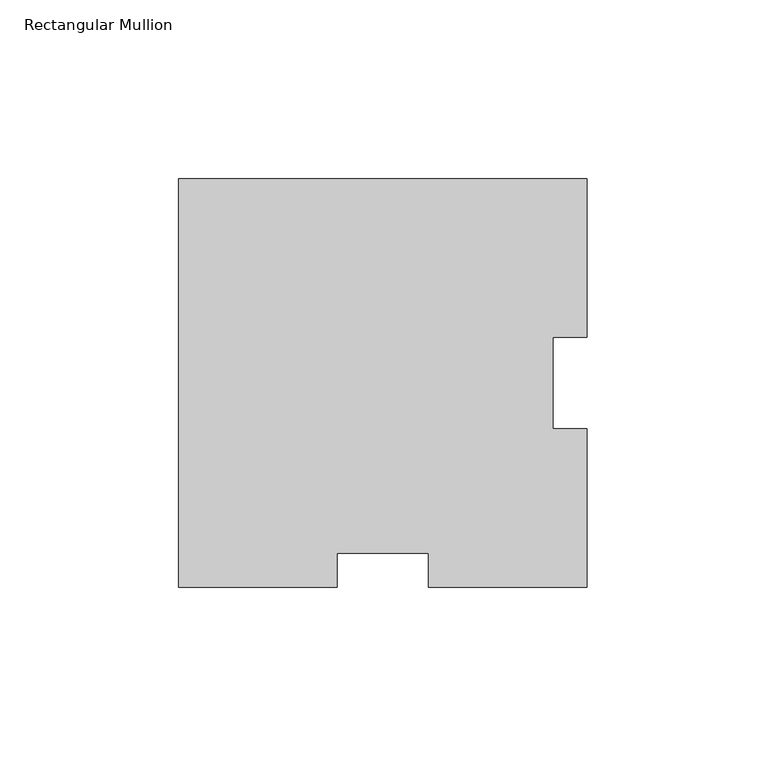
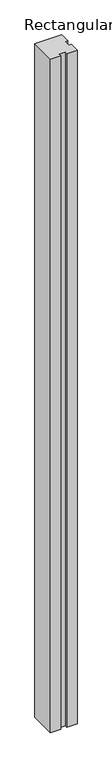
"""IFC4 building model written with IfcOpenShell, lengths in millimetres: member geometry, Rectangular Mullion."""

from ifc_helpers import new_model, si_unit, frame, origin, place, context, project, spatial, polyline, outline, extrude, source, transform, mapped, element, save


def rectangular_mullion_e002a2ac(model_context):
    return source(origin(), model_context, "Body", "SweptSolid", [
        extrude(outline(polyline([(-114.3, 53.975), (0.0, 53.975), (0.0, 9.5688492), (-9.525, 9.5688492), (-9.525, -15.9188492), (0.0, -15.9188492), (0.0, -60.325), (-44.4061508, -60.325), (-44.4061508, -50.8), (-69.8938492, -50.8), (-69.8938492, -60.325), (-114.3, -60.325), (-114.3, 53.975)])), frame((0.0, 0.0, -3048.0), z_axis=(0.0, 0.0, 1.0), x_axis=(1.0, 0.0, 0.0)), (0.0, 0.0, 1.0), 3048.0),
    ])


if __name__ == "__main__":
    model = new_model("IFC4")
    model_context = context("Model", 3, world=origin())
    ifc_project = project(units=[si_unit("LENGTHUNIT", "METRE", prefix="MILLI")], contexts=[model_context])
    site = spatial("IfcSite", under=ifc_project)
    building = spatial("IfcBuilding", under=site)
    placement = place(None, origin())
    rectangular_mullion_shape = rectangular_mullion_e002a2ac(model_context)
    element("IfcMember", 1, ObjectType="Rectangular Mullion", at=placement, inside=building, context=model_context, shape_type="MappedRepresentation", body=[
        mapped(rectangular_mullion_shape, transform((0.0, 0.0, 0.0), x_axis=(1.0, 0.0, 0.0), y_axis=(0.0, 1.0, 0.0), z_axis=(0.0, 0.0, 1.0))),
    ])
    save(model, "model.ifc")
